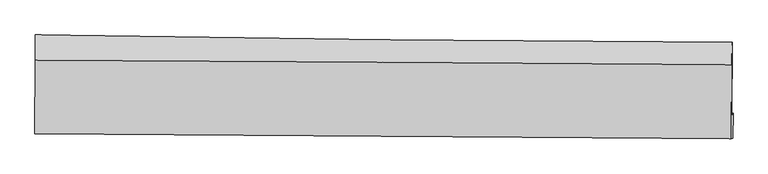
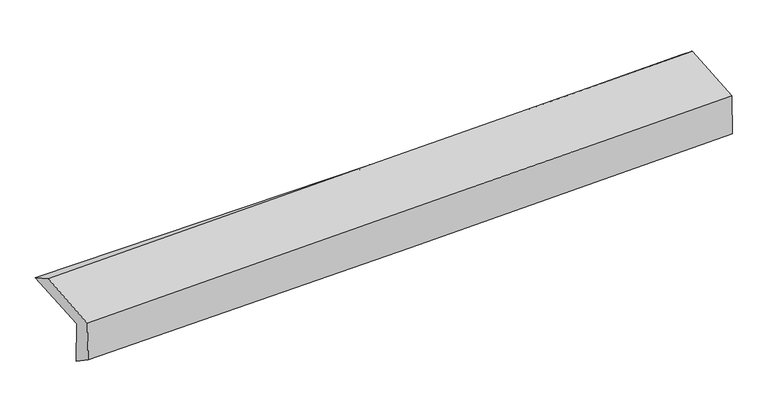
"""IFC4 building model written with IfcOpenShell, lengths in millimetres: proxy geometry."""

from ifc_helpers import new_model, si_unit, frame, origin, place, context, project, spatial, source, transform, mapped, element, save
from ifc_brep_helpers import plane_surface, spline_curve, spline_surface, advanced_brep


def generic_models_eccd71d3(model_context):
    return source(origin(), model_context, "Body", "AdvancedBrep", [
        advanced_brep(
        [(-3039.4556743, -1766.7258653, 1941.8591338), (-3037.969024, -1084.8698207, 1987.1898191), (3024.3344812, -1149.2166411, 2130.6648517), (3020.5905395, -1792.6200608, 2109.4415472), (-3029.4583632, -1740.5215303, 1547.3703532), (3030.8388469, -1765.7578298, 1705.0485833), (-3033.6494396, -1939.3012915, 1683.94204), (3025.7771395, -1983.4890628, 1850.2572903), (-3042.9373002, -1942.5995969, 2053.6646135), (3016.1607203, -1987.220438, 2235.4428285), (-3041.9227292, -1305.2051033, 2110.9930901), (3019.1217126, -1343.126145, 2288.2924069)],
        [
            (0, 1),
            (1, 2, spline_curve(3, [(-3037.969024, -1084.8698207, 1987.1898191), (-2027.251857597, -1102.699061719, 1992.503750847), (-1016.750652295, -1116.975740646, 2007.114892848), (1004.017267397, -1138.426069063, 2054.936269326), (2014.283896877, -1145.598330624, 2088.150138505), (3024.3344812, -1149.2166411, 2130.6648517)], [4, 2, 4], [0.0, 9.946251519304587, 19.89444673665215])),
            (2, 3),
            (3, 0, spline_curve(3, [(3020.5905395, -1792.6200608, 2109.4415472), (2011.084514741, -1798.388649134, 2055.511583082), (1001.278282828, -1799.114389995, 2014.581305127), (-1018.737238836, -1790.481021089, 1958.725580207), (-2028.94641174, -1781.123881625, 1943.795053298), (-3039.4556743, -1766.7258653, 1941.8591338)], [4, 2, 4], [0.0, 9.948195217347562, 19.89444673665215])),
            (4, 0),
            (3, 5),
            (5, 4, spline_curve(3, [(3030.8388469, -1765.7578298, 1705.0485833), (2021.051070608, -1758.087376994, 1665.188274104), (1011.083055953, -1752.149089345, 1632.117646632), (-1009.016084391, -1743.737666055, 1579.560889791), (-2019.147139854, -1741.263853877, 1560.072107198), (-3029.4583632, -1740.5215303, 1547.3703532)], [4, 2, 4], [0.0, 9.94643180089188, 19.890920248280576])),
            (6, 4),
            (5, 7),
            (7, 6, spline_curve(3, [(3025.7771395, -1983.4890628, 1850.2572903), (2015.974522346, -1977.164289736, 1814.970867546), (1006.071654916, -1970.319178479, 1783.467067521), (-1013.73724391, -1955.589718198, 1728.030128897), (-2023.643236213, -1947.705572538, 1704.095511932), (-3033.6494396, -1939.3012915, 1683.94204)], [4, 2, 4], [0.0, 9.945541654010192, 19.88914012843586])),
            (8, 6),
            (7, 9),
            (9, 8, spline_curve(3, [(3016.1607203, -1987.220438, 2235.4428285), (2006.200011493, -1980.999611119, 2206.023887043), (996.24549111, -1974.170371143, 2176.164708935), (-1023.453846809, -1959.29652004, 2115.571798624), (-2033.198666681, -1951.252145734, 2084.83823864), (-3042.9373002, -1942.5995969, 2053.6646135)], [4, 2, 4], [0.0, 9.945090596699904, 19.888238101943752])),
            (10, 8),
            (9, 11),
            (11, 10, spline_curve(3, [(3019.1217126, -1343.126145, 2288.2924069), (2008.867335636, -1335.342031411, 2258.147610906), (998.603761933, -1328.289650377, 2228.298855572), (-1021.744388843, -1315.649589363, 2169.199198696), (-2031.828962629, -1310.061622735, 2139.948182021), (-3041.9227292, -1305.2051033, 2110.9930901)], [4, 2, 4], [0.0, 9.946625736313791, 19.891308081232914])),
            (1, 10),
            (11, 2),
        ],
        [
            spline_surface(3, 3, [[(-3039.4556743, -1766.7258653, 1941.8591338), (-2028.946411667, -1781.123881594, 1943.795053302), (-1018.73723895, -1790.481021117, 1958.725580087), (1001.278282943, -1799.114389968, 2014.581305247), (2011.084514838, -1798.388648983, 2055.511582916), (3020.5905395, -1792.6200608, 2109.4415472)], [(-3038.960124204, -1539.440517088, 1956.96936222), (-2028.381560353, -1554.982274966, 1960.031285769), (-1018.075043354, -1565.97926092, 1974.85535096), (1002.191277735, -1578.884949737, 2028.032959999), (2012.150975506, -1580.791876201, 2066.391101395), (3021.83852007, -1578.152254232, 2116.515982022)], [(-3038.464574096, -1312.155168912, 1972.07959068), (-2027.816709028, -1328.840668375, 1976.267518276), (-1017.412847786, -1341.477500678, 1990.985121816), (1003.104272499, -1358.655509459, 2041.484614734), (2013.217436165, -1363.195103423, 2077.270619908), (3023.08650063, -1363.684447668, 2123.590416878)], [(-3037.969024, -1084.8698207, 1987.1898191), (-2027.251857714, -1102.699061747, 1992.503750743), (-1016.75065219, -1116.975740481, 2007.114892689), (1004.017267292, -1138.426069227, 2054.936269485), (2014.283896833, -1145.598330641, 2088.150138387), (3024.3344812, -1149.2166411, 2130.6648517)]], [4, 4], [4, 2, 4], [0.0, 2.1934834601624615], [0.0, 9.946251519304587, 19.89444673665215]),
            spline_surface(3, 3, [[(-3029.4583632, -1740.5215303, 1547.3703532), (-2019.147140017, -1741.263853999, 1560.072107088), (-1009.016084435, -1743.737666171, 1579.560889638), (1011.083055997, -1752.14908923, 1632.117646786), (2021.051070499, -1758.087376837, 1665.188274233), (3030.8388469, -1765.7578298, 1705.0485833)], [(-3032.790800233, -1749.256308649, 1678.866613407), (-2022.4135639, -1754.550529879, 1687.979755833), (-1012.256469274, -1759.318784493, 1705.949119793), (1007.814798311, -1767.804189483, 1759.605532945), (2017.728885298, -1771.521134188, 1795.296043789), (3027.422744453, -1774.71190677, 1839.846237928)], [(-3036.123237267, -1757.991086951, 1810.362873593), (-2025.679987784, -1767.837205713, 1815.887404557), (-1015.496854111, -1774.899902795, 1832.337349931), (1004.546540628, -1783.459289715, 1887.093419088), (2014.406700039, -1784.954891631, 1925.40381336), (3024.006641947, -1783.66598383, 1974.643892572)], [(-3039.4556743, -1766.7258653, 1941.8591338), (-2028.946411667, -1781.123881594, 1943.795053302), (-1018.73723895, -1790.481021117, 1958.725580087), (1001.278282943, -1799.114389968, 2014.581305247), (2011.084514838, -1798.388648983, 2055.511582916), (3020.5905395, -1792.6200608, 2109.4415472)]], [4, 4], [4, 2, 4], [0.0, 1.25922006051846], [0.0, 9.944488447388697, 19.890920248280576]),
            spline_surface(3, 3, [[(-3033.6494396, -1939.3012915, 1683.94204), (-2023.643236239, -1947.705572395, 1704.095512062), (-1013.737243936, -1955.589718126, 1728.030128819), (1006.071654941, -1970.31917855, 1783.467067599), (2015.974522325, -1977.16428989, 1814.970867646), (3025.7771395, -1983.4890628, 1850.2572903)], [(-3032.252414117, -1873.041371099, 1638.41814438), (-2022.144537482, -1878.891666262, 1656.087710384), (-1012.163524108, -1884.972367452, 1678.540382427), (1007.742121953, -1897.595815421, 1733.017260663), (2017.666705035, -1904.138652216, 1765.043336526), (3027.464375285, -1910.911985144, 1801.854387984)], [(-3030.855388683, -1806.781450701, 1592.89424882), (-2020.645838774, -1810.077760132, 1608.079908766), (-1010.589804262, -1814.355016845, 1629.05063603), (1009.412588984, -1824.872452359, 1682.567453722), (2019.35888779, -1831.11301451, 1715.115805353), (3029.151611115, -1838.334907456, 1753.451485616)], [(-3029.4583632, -1740.5215303, 1547.3703532), (-2019.147140017, -1741.263853999, 1560.072107088), (-1009.016084435, -1743.737666171, 1579.560889638), (1011.083055997, -1752.14908923, 1632.117646786), (2021.051070499, -1758.087376837, 1665.188274233), (3030.8388469, -1765.7578298, 1705.0485833)]], [4, 4], [4, 2, 4], [0.0, 0.8600970579397466], [0.0, 9.943598474425666, 19.88914012843586]),
            spline_surface(3, 3, [[(-3042.9373002, -1942.5995969, 2053.6646135), (-2033.198666539, -1951.252145849, 2084.838238495), (-1023.453846725, -1959.296519879, 2115.571798599), (996.245491026, -1974.170371305, 2176.16470896), (2006.200011374, -1980.999610968, 2206.023887158), (3016.1607203, -1987.220438, 2235.4428285)], [(-3039.841346668, -1941.500161743, 1930.423755694), (-2030.013523107, -1950.069954675, 1957.923996377), (-1020.214979141, -1958.060919287, 1986.391242007), (999.520878985, -1972.886640379, 2045.265495174), (2009.458181694, -1979.721170597, 2075.672880647), (3019.366193369, -1985.976646255, 2107.047649093)], [(-3036.745393132, -1940.400726657, 1807.182897806), (-2026.828379671, -1948.88776357, 1831.009754179), (-1016.976111519, -1956.825318717, 1857.210685412), (1002.796266982, -1971.602909476, 1914.366281386), (2012.716352005, -1978.442730261, 1945.321874157), (3022.571666431, -1984.732854545, 1978.652469707)], [(-3033.6494396, -1939.3012915, 1683.94204), (-2023.643236239, -1947.705572395, 1704.095512062), (-1013.737243936, -1955.589718126, 1728.030128819), (1006.071654941, -1970.31917855, 1783.467067599), (2015.974522325, -1977.16428989, 1814.970867646), (3025.7771395, -1983.4890628, 1850.2572903)]], [4, 4], [4, 2, 4], [0.0, 1.2803832342852273], [0.0, 9.943147505243848, 19.888238101943752]),
            spline_surface(3, 3, [[(-3041.9227292, -1305.2051033, 2110.9930901), (-2031.828962617, -1310.06162284, 2139.948182178), (-1021.744388889, -1315.649589198, 2169.19919884), (998.603761979, -1328.289650543, 2228.298855428), (2008.867335501, -1335.342031382, 2258.147611049), (3019.1217126, -1343.126145, 2288.2924069)], [(-3042.26091953, -1517.669934518, 2091.88359789), (-2032.285530588, -1523.791797195, 2121.57820094), (-1022.314208157, -1530.198566107, 2151.323398745), (997.817671672, -1543.583224146, 2210.92080659), (2007.978227456, -1550.561224581, 2240.773036432), (3018.134715164, -1557.82424267, 2270.67588078)], [(-3042.59910987, -1730.134765682, 2072.77410571), (-2032.742098569, -1737.521971495, 2103.208219733), (-1022.884027457, -1744.747542969, 2133.447598695), (997.031581333, -1758.876797701, 2193.542757798), (2007.089119419, -1765.780417769, 2223.398461775), (3017.147717736, -1772.52234033, 2253.05935462)], [(-3042.9373002, -1942.5995969, 2053.6646135), (-2033.198666539, -1951.252145849, 2084.838238495), (-1023.453846725, -1959.296519879, 2115.571798599), (996.245491026, -1974.170371305, 2176.16470896), (2006.200011374, -1980.999610968, 2206.023887158), (3016.1607203, -1987.220438, 2235.4428285)]], [4, 4], [4, 2, 4], [0.0, 2.1224807140953543], [0.0, 9.944682344919123, 19.891308081232914]),
            spline_surface(3, 3, [[(-3037.969024, -1084.8698207, 1987.1898191), (-2027.251857714, -1102.699061747, 1992.503750743), (-1016.75065219, -1116.975740481, 2007.114892689), (1004.017267292, -1138.426069227, 2054.936269485), (2014.283896833, -1145.598330641, 2088.150138387), (3024.3344812, -1149.2166411, 2130.6648517)], [(-3039.286925748, -1158.314914903, 2028.45757611), (-2028.777559363, -1171.819915448, 2041.651894564), (-1018.41523109, -1183.200356711, 2061.142994741), (1002.212765521, -1201.713929657, 2112.723798135), (2012.478376382, -1208.846230917, 2144.8159626), (3022.596891659, -1213.853142429, 2183.207370093)], [(-3040.604827452, -1231.760009097, 2069.72533309), (-2030.303260968, -1240.94076914, 2090.800038356), (-1020.079809989, -1249.424972968, 2115.171096787), (1000.408263751, -1265.001790113, 2170.511326778), (2010.672855952, -1272.094131106, 2201.481786836), (3020.859302141, -1278.489643671, 2235.749888507)], [(-3041.9227292, -1305.2051033, 2110.9930901), (-2031.828962617, -1310.06162284, 2139.948182178), (-1021.744388889, -1315.649589198, 2169.19919884), (998.603761979, -1328.289650543, 2228.298855428), (2008.867335501, -1335.342031382, 2258.147611049), (3019.1217126, -1343.126145, 2288.2924069)]], [4, 4], [4, 2, 4], [0.0, 0.8422153170074673], [0.0, 9.946674211553782, 19.895292203753126]),
            plane_surface(frame((3022.8039067, -1670.2383629, 2053.1912513), z_axis=(0.9996680794142777, -0.006638156548820727, 0.02489308895663435), x_axis=(0.024956733857059755, 0.009683743671477977, -0.9996416290569802))),
            plane_surface(frame((-3037.5654217, -1629.8705347, 1887.5031749), z_axis=(-0.9996780769733945, 0.00384686613921067, -0.025078756741177332), x_axis=(-0.002175491905725212, -0.9977950548192052, -0.06633472554633468))),
        ],
        [
            (0, [[1, 2, 3, 4]]),
            (1, [[5, -4, 6, 7]]),
            (2, [[8, -7, 9, 10]]),
            (3, [[11, -10, 12, 13]]),
            (4, [[14, -13, 15, 16]]),
            (5, [[17, -16, 18, -2]]),
            (6, [[-12, -9, -6, -3, -18, -15]]),
            (7, [[-1, -5, -8, -11, -14, -17]]),
        ],
    ),
    ])


if __name__ == "__main__":
    model = new_model("IFC4")
    model_context = context("Model", 3, world=origin())
    ifc_project = project(units=[si_unit("LENGTHUNIT", "METRE", prefix="MILLI")], contexts=[model_context])
    site = spatial("IfcSite", under=ifc_project)
    building = spatial("IfcBuilding", under=site)
    placement = place(None, origin())
    generic_models_shape = generic_models_eccd71d3(model_context)
    element("IfcBuildingElementProxy", 1, Name="Generic Models", at=placement, inside=building, context=model_context, shape_type="MappedRepresentation", body=[
        mapped(generic_models_shape, transform((0.0, 0.0, 0.0), x_axis=(1.0, 0.0, 0.0), y_axis=(0.0, 1.0, 0.0), z_axis=(0.0, 0.0, 1.0))),
    ])
    save(model, "model.ifc")
